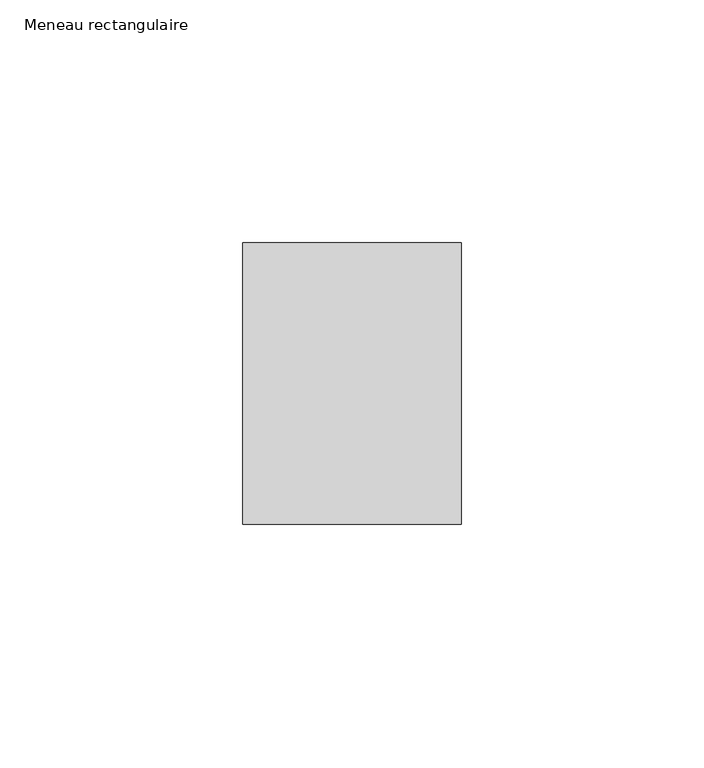
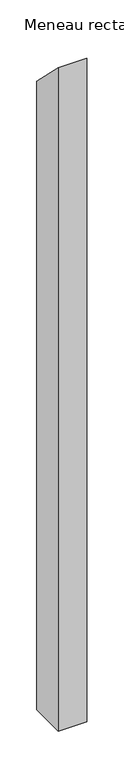
"""IFC4 building model written with IfcOpenShell, lengths in millimetres: member geometry, Meneau rectangulaire."""

from ifc_helpers import new_model, si_unit, frame, origin, place, context, project, spatial, polyline, outline, extrude, source, transform, mapped, element, save


def meneau_rectangulaire_443496e7(model_context):
    return source(origin(), model_context, "Body", "SweptSolid", [
        extrude(outline(polyline([(-29.0, 29.0), (29.0, -29.0), (29.0, -1071.7164022), (-29.0, -1071.7164022), (-29.0, 29.0)])), frame((-45.0, 0.0, 0.0), z_axis=(1.0, 0.0, 0.0), x_axis=(0.0, 1.0, 0.0)), (0.0, 0.0, 1.0), 45.0),
    ])


if __name__ == "__main__":
    model = new_model("IFC4")
    model_context = context("Model", 3, world=origin())
    ifc_project = project(units=[si_unit("LENGTHUNIT", "METRE", prefix="MILLI")], contexts=[model_context])
    site = spatial("IfcSite", under=ifc_project)
    building = spatial("IfcBuilding", under=site)
    placement = place(None, origin())
    meneau_rectangulaire_shape = meneau_rectangulaire_443496e7(model_context)
    element("IfcMember", 1, ObjectType="Meneau rectangulaire", at=placement, inside=building, context=model_context, shape_type="MappedRepresentation", body=[
        mapped(meneau_rectangulaire_shape, transform((0.0, 0.0, 0.0), x_axis=(1.0, 0.0, 0.0), y_axis=(0.0, 1.0, 0.0), z_axis=(0.0, 0.0, 1.0))),
    ])
    save(model, "model.ifc")
